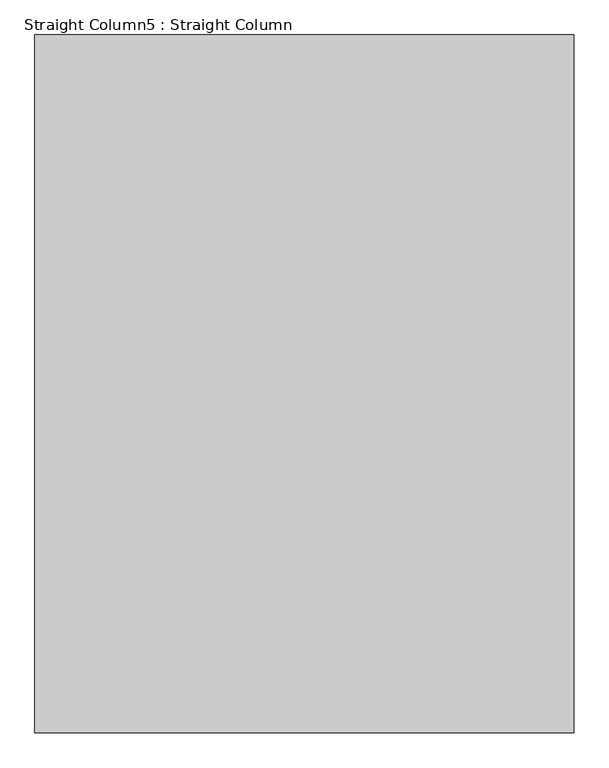
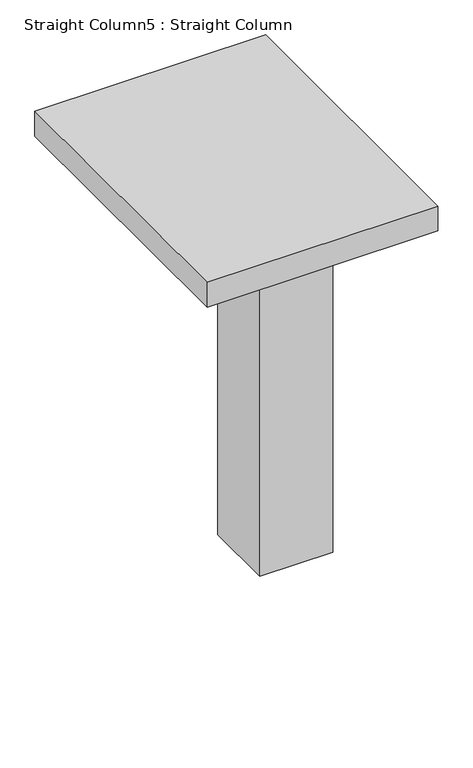
"""IFC4 building model written with IfcOpenShell, lengths in millimetres: column geometry, Straight Column5 : Straight Column."""

from ifc_helpers import new_model, si_unit, frame, origin, origin_with_axes, place, context, project, spatial, polyline, outline, extrude, source, transform, mapped, element, save


def straight_column5_straight_column_3a838300(model_context):
    return source(origin(), model_context, "Body", "SweptSolid", [
        extrude(outline(polyline([(17831.4351689, 34137.6000003), (16383.6351689, 34137.6000003), (16383.6351689, 36011.6031902), (17831.4351689, 36011.6031902), (17831.4351689, 34137.6000003)])), frame((0.0, 0.0, 2825.75), z_axis=(0.0, 0.0, 1.0), x_axis=(1.0, 0.0, 0.0)), (0.0, 0.0, 1.0), 165.1),
        extrude(outline(polyline([(17831.4351689, 35280.6000003), (17374.2351689, 35280.6000003), (17374.2351689, 35737.8000003), (17831.4351689, 35737.8000003), (17831.4351689, 35280.6000003)])), origin_with_axes(), (0.0, 0.0, 1.0), 2825.75),
    ])


if __name__ == "__main__":
    model = new_model("IFC4")
    model_context = context("Model", 3, world=origin())
    ifc_project = project(units=[si_unit("LENGTHUNIT", "METRE", prefix="MILLI")], contexts=[model_context])
    site = spatial("IfcSite", under=ifc_project)
    building = spatial("IfcBuilding", under=site)
    placement = place(None, origin())
    straight_column5_straight_column_shape = straight_column5_straight_column_3a838300(model_context)
    element("IfcColumn", 1, ObjectType="Straight Column5 : Straight Column", at=placement, inside=building, context=model_context, shape_type="MappedRepresentation", body=[
        mapped(straight_column5_straight_column_shape, transform((0.0, 0.0, 0.0), x_axis=(1.0, 0.0, 0.0), y_axis=(0.0, 1.0, 0.0), z_axis=(0.0, 0.0, 1.0))),
    ])
    save(model, "model.ifc")
